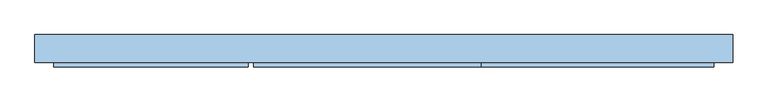
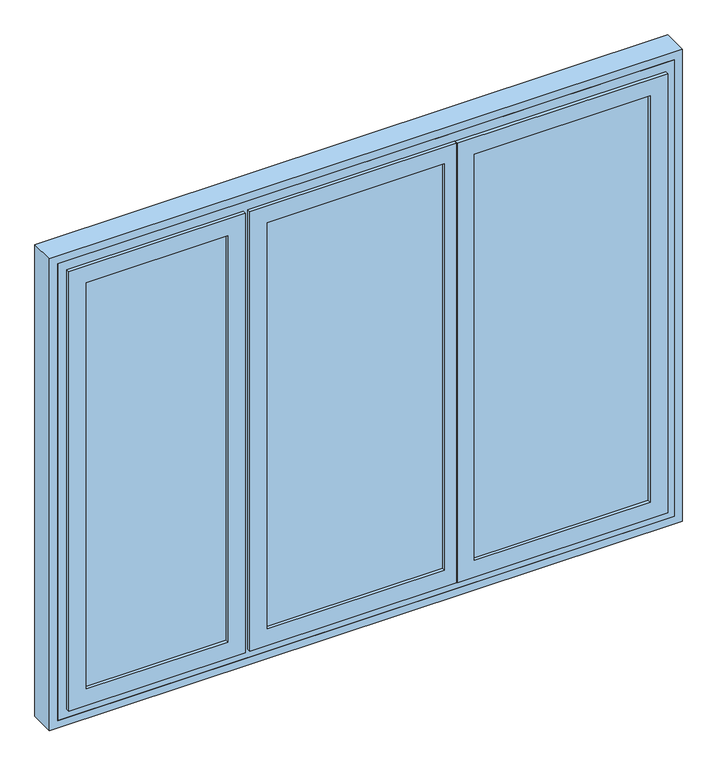
"""IFC4 building model written with IfcOpenShell, lengths in millimetres: window geometry."""

from ifc_helpers import new_model, si_unit, frame, origin, place, context, project, spatial, polyline, outline, extrude, faceted_brep, source, transform, mapped, element, save


def window_7e57a2b1(model_context):
    return source(origin(), model_context, "Body", "SolidModel", [
        extrude(outline(polyline([(-504.0, -48.0), (-504.0, -51.0), (-1071.0, -51.0), (-1071.0, -48.0), (-504.0, -48.0)])), frame((0.0, 0.0, 909.0), z_axis=(0.0, 0.0, 1.0), x_axis=(1.0, 0.0, 0.0)), (0.0, 0.0, 1.0), 1642.0),
        faceted_brep([(-1051.0, -22.0, 2531.0), (-1051.0, -48.0, 2531.0), (-1051.0, -48.0, 929.0), (-1051.0, -22.0, 929.0), (-1071.0, -48.0, 909.0), (-504.0, -48.0, 909.0), (-504.0, -48.0, 2551.0), (-1071.0, -48.0, 2551.0), (-524.0, -48.0, 2531.0), (-524.0, -48.0, 929.0), (-524.0, -22.0, 929.0), (-1106.0, -22.0, 2586.0), (-469.0, -22.0, 2586.0), (-469.0, -22.0, 874.0), (-1106.0, -22.0, 874.0), (-524.0, -22.0, 2531.0), (-1106.0, -51.0, 2586.0), (-1106.0, -51.0, 874.0), (-469.0, -51.0, 874.0), (-1116.0, -51.0, 2596.0), (-459.0, -51.0, 2596.0), (-459.0, -51.0, 864.0), (-1116.0, -51.0, 864.0), (-469.0, -51.0, 2586.0), (-1116.0, -64.0, 2596.0), (-1116.0, -64.0, 864.0), (-459.0, -64.0, 864.0), (-459.0, -64.0, 2596.0), (-1051.0, -64.0, 2531.0), (-524.0, -64.0, 2531.0), (-524.0, -64.0, 929.0), (-1051.0, -64.0, 929.0), (-1051.0, -51.0, 2531.0), (-1051.0, -51.0, 929.0), (-524.0, -51.0, 929.0), (-1071.0, -51.0, 2551.0), (-504.0, -51.0, 2551.0), (-504.0, -51.0, 909.0), (-1071.0, -51.0, 909.0), (-524.0, -51.0, 2531.0)], [[[0, 1, 2, 3]], [[4, 5, 6, 7], [1, 8, 9, 2]], [[3, 2, 9, 10]], [[11, 12, 13, 14], [3, 10, 15, 0]], [[16, 11, 14, 17]], [[17, 14, 13, 18]], [[19, 20, 21, 22], [17, 18, 23, 16]], [[24, 19, 22, 25]], [[25, 22, 21, 26]], [[25, 26, 27, 24], [28, 29, 30, 31]], [[32, 28, 31, 33]], [[33, 31, 30, 34]], [[35, 36, 37, 38], [33, 34, 39, 32]], [[7, 35, 38, 4]], [[4, 38, 37, 5]], [[10, 9, 8, 15]], [[18, 13, 12, 23]], [[26, 21, 20, 27]], [[34, 30, 29, 39]], [[5, 37, 36, 6]], [[15, 8, 1, 0]], [[23, 12, 11, 16]], [[27, 20, 19, 24]], [[39, 29, 28, 32]], [[6, 36, 35, 7]]]),
        faceted_brep([(-524.0, 9.0, 929.0), (-524.0, 22.0, 929.0), (-1051.0, 22.0, 929.0), (-1051.0, 9.0, 929.0), (-524.0, 9.0, 2531.0), (-524.0, 22.0, 2531.0), (-504.0, 9.0, 909.0), (-504.0, 9.0, 2551.0), (-1071.0, 9.0, 2551.0), (-1071.0, 9.0, 909.0), (-1051.0, 9.0, 2531.0), (-1096.0, 22.0, 2576.0), (-469.0, 22.0, 2576.0), (-469.0, 22.0, 884.0), (-1096.0, 22.0, 884.0), (-1051.0, 22.0, 2531.0), (-469.0, -7.0, 874.0), (-469.0, -20.0, 874.0), (-1106.0, -20.0, 874.0), (-1106.0, -7.0, 874.0), (-469.0, -7.0, 884.0), (-469.0, -7.0, 2576.0), (-469.0, -7.0, 2586.0), (-469.0, -20.0, 2586.0), (-1096.0, -7.0, 2576.0), (-1096.0, -7.0, 884.0), (-1106.0, -7.0, 2586.0), (-1106.0, -20.0, 2586.0), (-524.0, -20.0, 2531.0), (-524.0, -20.0, 929.0), (-1051.0, -20.0, 929.0), (-1051.0, -20.0, 2531.0), (-524.0, 6.0, 929.0), (-1051.0, 6.0, 929.0), (-524.0, 6.0, 2531.0), (-504.0, 6.0, 2551.0), (-504.0, 6.0, 909.0), (-1071.0, 6.0, 909.0), (-1071.0, 6.0, 2551.0), (-1051.0, 6.0, 2531.0)], [[[0, 1, 2, 3]], [[1, 0, 4, 5]], [[6, 7, 8, 9], [4, 0, 3, 10]], [[11, 12, 13, 14], [1, 5, 15, 2]], [[16, 17, 18, 19]], [[17, 16, 20, 13, 12, 21, 22, 23]], [[21, 24, 25, 20, 16, 19, 26, 22]], [[25, 14, 13, 20]], [[17, 23, 27, 18], [28, 29, 30, 31]], [[29, 32, 33, 30]], [[32, 29, 28, 34]], [[35, 36, 37, 38], [32, 34, 39, 33]], [[36, 6, 9, 37]], [[6, 36, 35, 7]], [[15, 10, 3, 2]], [[24, 11, 14, 25]], [[27, 26, 19, 18]], [[39, 31, 30, 33]], [[8, 38, 37, 9]], [[5, 4, 10, 15]], [[11, 24, 21, 12]], [[23, 22, 26, 27]], [[34, 28, 31, 39]], [[7, 35, 38, 8]]]),
        extrude(outline(polyline([(-504.0, 9.0), (-504.0, 6.0), (-1071.0, 6.0), (-1071.0, 9.0), (-504.0, 9.0)])), frame((0.0, 0.0, 909.0), z_axis=(0.0, 0.0, 1.0), x_axis=(1.0, 0.0, 0.0)), (0.0, 0.0, 1.0), 1642.0),
        faceted_brep([(-376.0, -22.0, 2531.0), (-376.0, -48.0, 2531.0), (-376.0, -48.0, 929.0), (-376.0, -22.0, 929.0), (-396.0, -48.0, 2551.0), (-396.0, -48.0, 909.0), (304.0, -48.0, 909.0), (304.0, -48.0, 2551.0), (284.0, -48.0, 2531.0), (284.0, -48.0, 929.0), (284.0, -22.0, 929.0), (-431.0, -22.0, 874.0), (-431.0, -22.0, 2586.0), (339.0, -22.0, 2586.0), (339.0, -22.0, 874.0), (284.0, -22.0, 2531.0), (-431.0, -51.0, 2586.0), (-431.0, -51.0, 874.0), (339.0, -49.0, 874.0), (329.0, -49.0, 874.0), (329.0, -51.0, 874.0), (329.0, -51.0, 864.0), (-441.0, -51.0, 864.0), (-441.0, -51.0, 2596.0), (329.0, -51.0, 2596.0), (329.0, -51.0, 2586.0), (-441.0, -64.0, 2596.0), (-441.0, -64.0, 864.0), (329.0, -64.0, 864.0), (329.0, -64.0, 2596.0), (-376.0, -64.0, 929.0), (-376.0, -64.0, 2531.0), (284.0, -64.0, 2531.0), (284.0, -64.0, 929.0), (-376.0, -51.0, 2531.0), (-376.0, -51.0, 929.0), (284.0, -51.0, 929.0), (-396.0, -51.0, 909.0), (-396.0, -51.0, 2551.0), (304.0, -51.0, 2551.0), (304.0, -51.0, 909.0), (284.0, -51.0, 2531.0), (339.0, -49.0, 2586.0), (329.0, -49.0, 2586.0)], [[[0, 1, 2, 3]], [[4, 5, 6, 7], [2, 1, 8, 9]], [[3, 2, 9, 10]], [[11, 12, 13, 14], [0, 3, 10, 15]], [[16, 12, 11, 17]], [[17, 11, 14, 18, 19, 20]], [[16, 17, 20, 21, 22, 23, 24, 25]], [[26, 23, 22, 27]], [[27, 22, 21, 28]], [[26, 27, 28, 29], [30, 31, 32, 33]], [[34, 31, 30, 35]], [[35, 30, 33, 36]], [[37, 38, 39, 40], [34, 35, 36, 41]], [[4, 38, 37, 5]], [[5, 37, 40, 6]], [[10, 9, 8, 15]], [[14, 13, 42, 18]], [[43, 19, 18, 42]], [[19, 43, 25, 24, 29, 28, 21, 20]], [[36, 33, 32, 41]], [[6, 40, 39, 7]], [[1, 0, 15, 8]], [[12, 16, 25, 43, 42, 13]], [[23, 26, 29, 24]], [[31, 34, 41, 32]], [[38, 4, 7, 39]]]),
        faceted_brep([(349.0, 22.0, 884.0), (349.0, -5.0, 884.0), (339.0, -5.0, 884.0), (339.0, -7.0, 884.0), (-431.0, -7.0, 884.0), (-431.0, 22.0, 884.0), (349.0, 22.0, 2576.0), (349.0, -5.0, 2576.0), (339.0, -5.0, 2576.0), (339.0, -7.0, 2576.0), (339.0, -7.0, 2586.0), (339.0, -20.0, 2586.0), (339.0, -20.0, 874.0), (339.0, -7.0, 874.0), (-431.0, -7.0, 874.0), (-431.0, -7.0, 2586.0), (-431.0, -7.0, 2576.0), (-431.0, -20.0, 2586.0), (-431.0, 22.0, 2576.0), (-431.0, -20.0, 874.0), (-376.0, 22.0, 2531.0), (-376.0, 22.0, 929.0), (284.0, 22.0, 929.0), (284.0, 22.0, 2531.0), (-376.0, 9.0, 2531.0), (-376.0, 9.0, 929.0), (284.0, 9.0, 929.0), (284.0, 9.0, 2531.0), (-376.0, -20.0, 929.0), (-376.0, -20.0, 2531.0), (284.0, -20.0, 2531.0), (284.0, -20.0, 929.0), (-396.0, 9.0, 2551.0), (-396.0, 9.0, 909.0), (304.0, 9.0, 909.0), (304.0, 9.0, 2551.0), (-376.0, 6.0, 2531.0), (-376.0, 6.0, 929.0), (284.0, 6.0, 929.0), (-396.0, 6.0, 909.0), (-396.0, 6.0, 2551.0), (304.0, 6.0, 2551.0), (304.0, 6.0, 909.0), (284.0, 6.0, 2531.0)], [[[0, 1, 2, 3, 4, 5]], [[6, 7, 1, 0]], [[7, 8, 2, 1]], [[8, 9, 10, 11, 12, 13, 3, 2]], [[13, 14, 4, 3]], [[15, 10, 9, 16]], [[17, 15, 16, 18, 5, 4, 14, 19]], [[18, 6, 0, 5], [20, 21, 22, 23]], [[20, 24, 25, 21]], [[21, 25, 26, 22]], [[22, 26, 27, 23]], [[17, 19, 12, 11], [28, 29, 30, 31]], [[19, 14, 13, 12]], [[32, 33, 34, 35], [25, 24, 27, 26]], [[36, 29, 28, 37]], [[37, 28, 31, 38]], [[39, 40, 41, 42], [36, 37, 38, 43]], [[32, 40, 39, 33]], [[33, 39, 42, 34]], [[38, 31, 30, 43]], [[34, 42, 41, 35]], [[9, 8, 7, 6, 18, 16]], [[24, 20, 23, 27]], [[15, 17, 11, 10]], [[29, 36, 43, 30]], [[40, 32, 35, 41]]]),
        extrude(outline(polyline([(1071.0, -48.0), (1071.0, -51.0), (376.0, -51.0), (376.0, -48.0), (1071.0, -48.0)])), frame((0.0, 0.0, 909.0), z_axis=(0.0, 0.0, 1.0), x_axis=(1.0, 0.0, 0.0)), (0.0, 0.0, 1.0), 1642.0),
        extrude(outline(polyline([(304.0, -48.0), (304.0, -51.0), (-396.0, -51.0), (-396.0, -48.0), (304.0, -48.0)])), frame((0.0, 0.0, 909.0), z_axis=(0.0, 0.0, 1.0), x_axis=(1.0, 0.0, 0.0)), (0.0, 0.0, 1.0), 1642.0),
        extrude(outline(polyline([(1071.0, 9.0), (1071.0, 6.0), (376.0, 6.0), (376.0, 9.0), (1071.0, 9.0)])), frame((0.0, 0.0, 909.0), z_axis=(0.0, 0.0, 1.0), x_axis=(1.0, 0.0, 0.0)), (0.0, 0.0, 1.0), 1642.0),
        extrude(outline(polyline([(304.0, 9.0), (304.0, 6.0), (-396.0, 6.0), (-396.0, 9.0), (304.0, 9.0)])), frame((0.0, 0.0, 909.0), z_axis=(0.0, 0.0, 1.0), x_axis=(1.0, 0.0, 0.0)), (0.0, 0.0, 1.0), 1642.0),
        faceted_brep([(-1150.0, 45.0, 830.0), (1150.0, 45.0, 830.0), (1150.0, -49.0, 830.0), (-1150.0, -49.0, 830.0), (-1150.0, 45.0, 2630.0), (1150.0, 45.0, 2630.0), (-1080.0, 45.0, 873.6286846), (-485.0, 45.0, 873.6286846), (-485.0, 45.0, 2560.0), (-1080.0, 45.0, 2560.0), (1080.0, 45.0, 873.6286846), (1080.0, 45.0, 2560.0), (-415.0, 45.0, 2560.0), (-415.0, 45.0, 873.6286846), (1150.0, -49.0, 2630.0), (-1150.0, -49.0, 2630.0), (1108.0, -49.0, 2588.0), (1108.0, -49.0, 872.0), (-433.0, -49.0, 872.0), (-433.0, -49.0, 2588.0), (-1108.0, -49.0, 2588.0), (-467.0, -49.0, 2588.0), (-467.0, -49.0, 872.0), (-1108.0, -49.0, 872.0), (1098.0, 22.0, 882.0), (1098.0, 25.0, 880.9080893), (1080.0, 25.0, 880.9080893), (-415.0, 25.0, 880.9080893), (-433.0, 25.0, 880.9080893), (-433.0, 22.0, 882.0), (-1080.0, 25.0, 880.9080893), (-1098.0, 25.0, 880.9080893), (-1098.0, 22.0, 882.0), (-467.0, 22.0, 882.0), (-467.0, 25.0, 880.9080893), (-485.0, 25.0, 880.9080893), (-485.0, 25.0, 2560.0), (-1080.0, 25.0, 2560.0), (1080.0, 25.0, 2560.0), (-415.0, 25.0, 2560.0), (-467.0, -5.0, 2588.0), (-467.0, -5.0, 2578.0), (-467.0, 25.0, 2578.0), (-467.0, -5.0, 882.0), (-467.0, -5.0, 872.0), (1108.0, -5.0, 872.0), (-433.0, -5.0, 872.0), (-1108.0, -5.0, 872.0), (-1108.0, -5.0, 2588.0), (1108.0, -5.0, 2588.0), (-433.0, -5.0, 882.0), (-433.0, 25.0, 2578.0), (-433.0, -5.0, 2578.0), (-433.0, -5.0, 2588.0), (1098.0, -5.0, 2578.0), (1098.0, -5.0, 882.0), (-1098.0, -5.0, 882.0), (-1098.0, -5.0, 2578.0), (1098.0, 25.0, 2578.0), (-1098.0, 25.0, 2578.0)], [[[0, 1, 2, 3]], [[0, 4, 5, 1], [6, 7, 8, 9], [10, 11, 12, 13]], [[2, 1, 5, 14]], [[2, 14, 15, 3], [16, 17, 18, 19], [20, 21, 22, 23]], [[4, 0, 3, 15]], [[24, 25, 26, 10, 13, 27, 28, 29]], [[30, 31, 32, 33, 34, 35, 7, 6]], [[8, 7, 35, 36]], [[9, 37, 30, 6]], [[38, 11, 10, 26]], [[13, 12, 39, 27]], [[22, 21, 40, 41, 42, 34, 33, 43, 44]], [[17, 45, 46, 18]], [[47, 23, 22, 44]], [[48, 20, 23, 47]], [[16, 49, 45, 17]], [[19, 18, 46, 50, 29, 28, 51, 52, 53]], [[54, 55, 50, 46, 45, 49, 53, 52]], [[56, 57, 41, 40, 48, 47, 44, 43]], [[54, 58, 25, 24, 55]], [[55, 24, 29, 50]], [[32, 56, 43, 33]], [[59, 57, 56, 32, 31]], [[25, 58, 51, 28, 27, 39, 38, 26]], [[59, 31, 30, 37, 36, 35, 34, 42]], [[15, 14, 5, 4]], [[49, 16, 19, 53]], [[20, 48, 40, 21]], [[51, 58, 54, 52]], [[57, 59, 42, 41]], [[11, 38, 39, 12]], [[37, 9, 8, 36]]]),
        faceted_brep([(396.0, -22.0, 2531.0), (396.0, -48.0, 2531.0), (396.0, -48.0, 929.0), (396.0, -22.0, 929.0), (376.0, -48.0, 909.0), (1071.0, -48.0, 909.0), (1071.0, -48.0, 2551.0), (376.0, -48.0, 2551.0), (1051.0, -48.0, 2531.0), (1051.0, -48.0, 929.0), (1051.0, -22.0, 929.0), (341.0, -22.0, 2586.0), (1106.0, -22.0, 2586.0), (1106.0, -22.0, 874.0), (341.0, -22.0, 874.0), (1051.0, -22.0, 2531.0), (341.0, -51.0, 2586.0), (341.0, -51.0, 874.0), (1106.0, -51.0, 874.0), (331.0, -51.0, 2596.0), (1116.0, -51.0, 2596.0), (1116.0, -51.0, 864.0), (331.0, -51.0, 864.0), (1106.0, -51.0, 2586.0), (331.0, -64.0, 2596.0), (331.0, -64.0, 864.0), (1116.0, -64.0, 864.0), (1116.0, -64.0, 2596.0), (396.0, -64.0, 2531.0), (1051.0, -64.0, 2531.0), (1051.0, -64.0, 929.0), (396.0, -64.0, 929.0), (396.0, -51.0, 2531.0), (396.0, -51.0, 929.0), (1051.0, -51.0, 929.0), (376.0, -51.0, 2551.0), (1071.0, -51.0, 2551.0), (1071.0, -51.0, 909.0), (376.0, -51.0, 909.0), (1051.0, -51.0, 2531.0)], [[[0, 1, 2, 3]], [[4, 5, 6, 7], [1, 8, 9, 2]], [[3, 2, 9, 10]], [[11, 12, 13, 14], [3, 10, 15, 0]], [[16, 11, 14, 17]], [[17, 14, 13, 18]], [[19, 20, 21, 22], [17, 18, 23, 16]], [[24, 19, 22, 25]], [[25, 22, 21, 26]], [[25, 26, 27, 24], [28, 29, 30, 31]], [[32, 28, 31, 33]], [[33, 31, 30, 34]], [[35, 36, 37, 38], [33, 34, 39, 32]], [[7, 35, 38, 4]], [[4, 38, 37, 5]], [[10, 9, 8, 15]], [[18, 13, 12, 23]], [[26, 21, 20, 27]], [[34, 30, 29, 39]], [[5, 37, 36, 6]], [[15, 8, 1, 0]], [[23, 12, 11, 16]], [[27, 20, 19, 24]], [[39, 29, 28, 32]], [[6, 36, 35, 7]]]),
        faceted_brep([(396.0, 22.0, 2531.0), (396.0, 9.0, 2531.0), (396.0, 9.0, 929.0), (396.0, 22.0, 929.0), (376.0, 9.0, 909.0), (1071.0, 9.0, 909.0), (1071.0, 9.0, 2551.0), (376.0, 9.0, 2551.0), (1051.0, 9.0, 2531.0), (1051.0, 9.0, 929.0), (1051.0, 22.0, 929.0), (351.0, 22.0, 2576.0), (1096.0, 22.0, 2576.0), (1096.0, 22.0, 884.0), (351.0, 22.0, 884.0), (1051.0, 22.0, 2531.0), (351.0, -7.0, 2576.0), (351.0, -7.0, 884.0), (1096.0, -7.0, 884.0), (341.0, -7.0, 2586.0), (1106.0, -7.0, 2586.0), (1106.0, -7.0, 874.0), (341.0, -7.0, 874.0), (1096.0, -7.0, 2576.0), (341.0, -20.0, 2586.0), (341.0, -20.0, 874.0), (1106.0, -20.0, 874.0), (1106.0, -20.0, 2586.0), (396.0, -20.0, 2531.0), (1051.0, -20.0, 2531.0), (1051.0, -20.0, 929.0), (396.0, -20.0, 929.0), (396.0, 6.0, 2531.0), (396.0, 6.0, 929.0), (1051.0, 6.0, 929.0), (376.0, 6.0, 2551.0), (1071.0, 6.0, 2551.0), (1071.0, 6.0, 909.0), (376.0, 6.0, 909.0), (1051.0, 6.0, 2531.0)], [[[0, 1, 2, 3]], [[4, 5, 6, 7], [1, 8, 9, 2]], [[3, 2, 9, 10]], [[11, 12, 13, 14], [3, 10, 15, 0]], [[16, 11, 14, 17]], [[17, 14, 13, 18]], [[19, 20, 21, 22], [17, 18, 23, 16]], [[24, 19, 22, 25]], [[25, 22, 21, 26]], [[25, 26, 27, 24], [28, 29, 30, 31]], [[32, 28, 31, 33]], [[33, 31, 30, 34]], [[35, 36, 37, 38], [33, 34, 39, 32]], [[7, 35, 38, 4]], [[4, 38, 37, 5]], [[10, 9, 8, 15]], [[18, 13, 12, 23]], [[26, 21, 20, 27]], [[34, 30, 29, 39]], [[5, 37, 36, 6]], [[15, 8, 1, 0]], [[23, 12, 11, 16]], [[27, 20, 19, 24]], [[39, 29, 28, 32]], [[6, 36, 35, 7]]]),
        extrude(outline(polyline([(800.0, -1180.0), (800.0, 1180.0), (2660.0, 1180.0), (2660.0, -1180.0), (800.0, -1180.0)]), holes=[polyline([(2630.0, -1150.0), (2630.0, 1150.0), (830.0, 1150.0), (830.0, -1150.0), (2630.0, -1150.0)])]), frame((0.0, -49.0, 0.0), z_axis=(0.0, 1.0, 0.0), x_axis=(0.0, 0.0, 1.0)), (0.0, 0.0, 1.0), 94.0),
    ])


if __name__ == "__main__":
    model = new_model("IFC4")
    model_context = context("Model", 3, world=origin())
    ifc_project = project(units=[si_unit("LENGTHUNIT", "METRE", prefix="MILLI")], contexts=[model_context])
    site = spatial("IfcSite", under=ifc_project)
    building = spatial("IfcBuilding", under=site)
    placement = place(None, origin())
    window_shape = window_7e57a2b1(model_context)
    element("IfcWindow", 1, at=placement, inside=building, context=model_context, shape_type="MappedRepresentation", body=[
        mapped(window_shape, transform((0.0, 0.0, 0.0), x_axis=(1.0, 0.0, 0.0), y_axis=(0.0, 1.0, 0.0), z_axis=(0.0, 0.0, 1.0))),
    ])
    save(model, "model.ifc")
